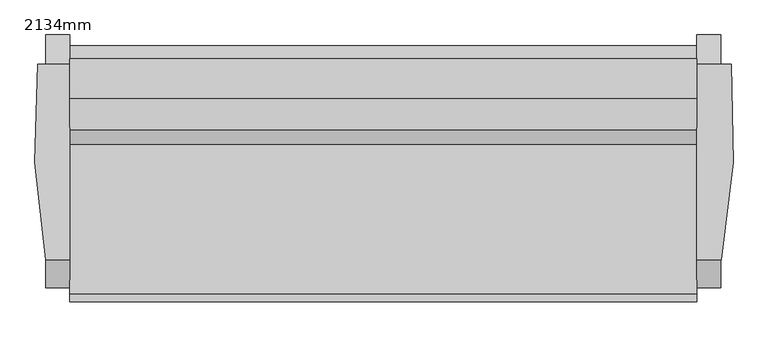
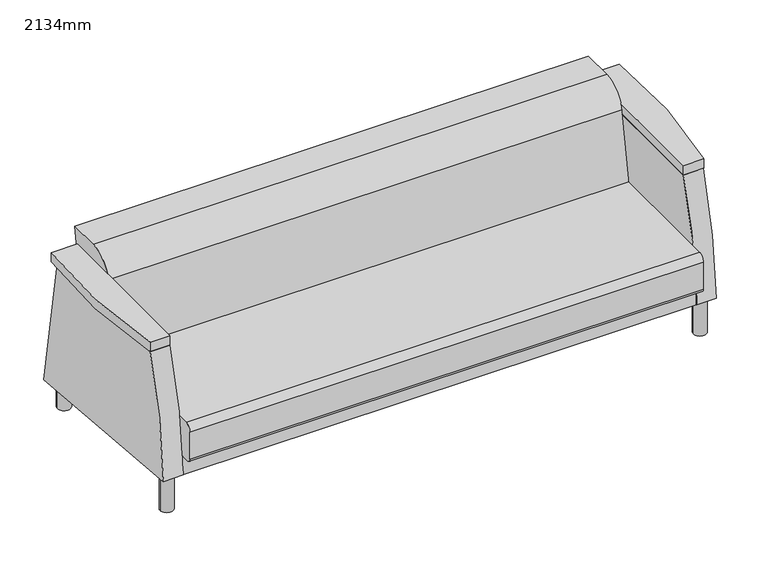
"""IFC4 building model written with IfcOpenShell, lengths in millimetres: furniture geometry, 2134mm."""

from ifc_helpers import new_model, si_unit, point, frame, frame_2d, origin, origin_with_axes, place, context, project, spatial, polyline, circle_curve, trimmed, segment, composite_curve, outline, extrude, source, transform, mapped, element, save
from ifc_brep_helpers import plane_surface, cylinder_surface, advanced_brep


def furniture_2134mm_91f3548c(model_context):
    return source(origin(), model_context, "Body", "SolidModel", [
        advanced_brep(
        [(1345.60625, 701.7619204, 79.3588346), (1345.60625, 608.6917937, 626.0203985), (1345.60625, -9.3943348, 626.0203985), (1345.60625, -97.7900405, 149.3105671), (1269.40625, -9.3943348, 626.0203985), (1269.40625, 608.6917937, 626.0203985), (1269.40625, 701.7619204, 79.3588346), (1269.40625, -83.3930704, 148.0509954), (1269.40625, 668.3047863, 148.0509954), (1269.40625, 668.3047863, 224.2509954), (1269.40625, -93.6952137, 224.2509954), (1269.40625, -93.6952137, 148.9523161), (1269.40625, -97.7900405, 149.3105671), (1269.40625, -93.6952137, 148.0509954), (-712.19375, -83.3930704, 148.0509954), (-712.19375, -93.6952137, 148.0509954), (-712.19375, -93.6952137, 148.9523161), (-712.19375, 668.3047863, 224.2509954), (-712.19375, -93.6952137, 224.2509954), (-712.19375, 668.3047863, 148.0509954), (-712.19375, 701.7619204, 79.3588346), (-712.19375, 608.6917937, 626.0203985), (-712.19375, -9.3943348, 626.0203985), (-712.19375, -97.7900405, 149.3105671), (-788.39375, -9.3943348, 626.0203985), (-788.39375, 608.6917937, 626.0203985), (-788.39375, 701.7619204, 79.3588346), (-788.39375, -97.7900405, 149.3105671)],
        [
            (0, 1),
            (1, 2),
            (2, 3, circle_curve(frame((1345.60625, 1499.9783711, 99.5888442), z_axis=(1.0, 0.0, 0.0), x_axis=(0.0, 1.0, 0.0)), 1598.5418814)),
            (3, 0),
            (4, 5),
            (5, 6),
            (6, 7),
            (7, 8),
            (8, 9),
            (9, 10),
            (10, 4, circle_curve(frame((1269.40625, 1499.9783711, 99.5888442), z_axis=(-1.0, 0.0, 0.0), x_axis=(0.0, 1.0, 0.0)), 1598.5418814)),
            (11, 12),
            (12, 10, circle_curve(frame((1269.40625, 1499.9783711, 99.5888442), z_axis=(-1.0, 0.0, 0.0), x_axis=(0.0, 1.0, 0.0)), 1598.5418814)),
            (10, 11),
            (0, 6),
            (5, 1),
            (4, 2),
            (12, 3),
            (11, 7),
            (11, 13),
            (13, 7),
            (14, 15),
            (15, 16),
            (16, 14),
            (9, 17),
            (17, 18),
            (18, 10),
            (18, 16),
            (15, 13),
            (14, 19),
            (19, 8),
            (19, 17),
            (20, 21),
            (21, 22),
            (22, 18, circle_curve(frame((-712.19375, 1499.9783711, 99.5888442), z_axis=(1.0, 0.0, 0.0), x_axis=(0.0, 1.0, 0.0)), 1598.5418814)),
            (14, 20),
            (18, 23, circle_curve(frame((-712.19375, 1499.9783711, 99.5888442), z_axis=(1.0, 0.0, 0.0), x_axis=(0.0, 1.0, 0.0)), 1598.5418814)),
            (23, 16),
            (24, 25),
            (25, 26),
            (26, 27),
            (27, 24, circle_curve(frame((-788.39375, 1499.9783711, 99.5888442), z_axis=(-1.0, 0.0, 0.0), x_axis=(0.0, 1.0, 0.0)), 1598.5418814)),
            (27, 23),
            (22, 24),
            (26, 20),
            (25, 21),
        ],
        [
            plane_surface(frame((1345.60625, 608.6917937, 626.0203985), z_axis=(1.0000000000000002, 0.0, 0.0), x_axis=(0.0, -0.16783676484789783, 0.985814800236531))),
            plane_surface(frame((1269.40625, 608.6917937, 626.0203985), z_axis=(-1.0000000000000002, 0.0, 0.0), x_axis=(0.0, 0.16783676484789783, -0.985814800236531))),
            plane_surface(frame((1345.60625, 701.7619204, 79.3588346), z_axis=(0.0, 0.985814800236531, 0.16783676484789783), x_axis=(-1.0, 0.0, 0.0))),
            plane_surface(frame((1345.60625, 608.6917937, 626.0203985), z_axis=(0.0, 0.0, 1.0), x_axis=(-1.0, 0.0, 0.0))),
            cylinder_surface(frame((1269.40625, 1499.9783711, 99.5888442), z_axis=(1.0, 0.0, 0.0), x_axis=(0.0, 1.0, 0.0)), 1598.5418814),
            plane_surface(frame((1345.60625, -97.7900405, 149.3105671), z_axis=(0.0, -0.08715574274767213, -0.9961946980917444), x_axis=(-1.0, 0.0, 0.0))),
            plane_surface(frame((1269.40625, -93.6952137, 224.2509954), z_axis=(1.0, 0.0, 0.0), x_axis=(0.0, -1.0, 0.0))),
            plane_surface(frame((-712.19375, -93.6952137, 224.2509954), z_axis=(-1.0, 0.0, 0.0), x_axis=(0.0, 1.0, 0.0))),
            plane_surface(frame((1269.40625, 668.3047863, 224.2509954), z_axis=(0.0, 0.0, 1.0), x_axis=(-1.0, 0.0, 0.0))),
            plane_surface(frame((1269.40625, -93.6952137, 224.2509954), z_axis=(0.0, -1.0, 0.0), x_axis=(-1.0, 0.0, 0.0))),
            plane_surface(frame((1269.40625, -93.6952137, 148.0509954), z_axis=(0.0, 0.0, -1.0), x_axis=(-1.0, 0.0, 0.0))),
            plane_surface(frame((1269.40625, 668.3047863, 148.0509954), z_axis=(0.0, 1.0, 0.0), x_axis=(-1.0, 0.0, 0.0))),
            plane_surface(frame((-712.19375, 3098.5202525, 99.5888442), z_axis=(1.0, 0.0, 0.0), x_axis=(0.0, 0.0, 1.0))),
            plane_surface(frame((-788.39375, 3098.5202525, 99.5888442), z_axis=(-1.0, 0.0, 0.0), x_axis=(0.0, 0.0, -1.0))),
            cylinder_surface(frame((-788.39375, 1499.9783711, 99.5888442), z_axis=(1.0, 0.0, 0.0), x_axis=(0.0, 1.0, 0.0)), 1598.5418814),
            plane_surface(frame((-712.19375, -97.7900405, 149.3105671), z_axis=(0.0, -0.08715574274766119, -0.9961946980917453), x_axis=(-1.0, 0.0, 0.0))),
            plane_surface(frame((-712.19375, 701.7619204, 79.3588346), z_axis=(0.0, 0.9858148002365317, 0.16783676484789375), x_axis=(-1.0, 0.0, 0.0))),
            plane_surface(frame((-712.19375, 608.6917937, 626.0203985), z_axis=(0.0, 0.0, 1.0), x_axis=(-1.0, 0.0, 0.0))),
        ],
        [
            (0, [[1, 2, 3, 4]]),
            (1, [[5, 6, 7, 8, 9, 10, 11]]),
            (1, [[12, 13, 14]]),
            (2, [[-1, 15, -6, 16]]),
            (3, [[-2, -16, -5, 17]]),
            (4, [[-3, -17, -11, -13, 18]]),
            (5, [[-4, -18, -12, 19, -7, -15]]),
            (6, [[20, 21, -19]]),
            (7, [[22, 23, 24]]),
            (8, [[25, 26, 27, -10]]),
            (9, [[-27, 28, -23, 29, -20, -14]]),
            (10, [[-29, -22, 30, 31, -8, -21]]),
            (11, [[-25, -9, -31, 32]]),
            (12, [[33, 34, 35, -26, -32, -30, 36]]),
            (12, [[37, 38, -28]]),
            (13, [[39, 40, 41, 42]]),
            (14, [[-42, 43, -37, -35, 44]]),
            (15, [[-41, 45, -36, -24, -38, -43]]),
            (16, [[-33, -45, -40, 46]]),
            (17, [[-34, -46, -39, -44]]),
        ],
    ),
        extrude(outline(composite_curve([segment(trimmed(circle_curve(frame_2d((-750.29375, -53.0901639)), 25.4), [point((-775.69375, -53.0901639))], [point((-724.89375, -53.0901639))], False, "CARTESIAN"), True, "CONTINUOUS"), segment(trimmed(circle_curve(frame_2d((-750.29375, -53.0901639)), 25.4), [point((-724.89375, -53.0901639))], [point((-775.69375, -53.0901639))], False, "CARTESIAN"), True, "CONTINUOUS")], self_intersect=False)), origin_with_axes(), (0.0, 0.0, 1.0), 148.43125),
        extrude(outline(composite_curve([segment(trimmed(circle_curve(frame_2d((-750.29375, 632.7098361)), 25.4), [point((-775.69375, 632.7098361))], [point((-724.89375, 632.7098361))], False, "CARTESIAN"), True, "CONTINUOUS"), segment(trimmed(circle_curve(frame_2d((-750.29375, 632.7098361)), 25.4), [point((-724.89375, 632.7098361))], [point((-775.69375, 632.7098361))], False, "CARTESIAN"), True, "CONTINUOUS")], self_intersect=False)), origin_with_axes(), (0.0, 0.0, 1.0), 148.43125),
        extrude(outline(composite_curve([segment(trimmed(circle_curve(frame_2d((1307.50625, 632.7098361)), 25.4), [point((1282.10625, 632.7098361))], [point((1332.90625, 632.7098361))], False, "CARTESIAN"), True, "CONTINUOUS"), segment(trimmed(circle_curve(frame_2d((1307.50625, 632.7098361)), 25.4), [point((1332.90625, 632.7098361))], [point((1282.10625, 632.7098361))], False, "CARTESIAN"), True, "CONTINUOUS")], self_intersect=False)), origin_with_axes(), (0.0, 0.0, 1.0), 148.43125),
        extrude(outline(composite_curve([segment(trimmed(circle_curve(frame_2d((1307.50625, -53.0901639)), 25.4), [point((1282.10625, -53.0901639))], [point((1332.90625, -53.0901639))], False, "CARTESIAN"), True, "CONTINUOUS"), segment(trimmed(circle_curve(frame_2d((1307.50625, -53.0901639)), 25.4), [point((1332.90625, -53.0901639))], [point((1282.10625, -53.0901639))], False, "CARTESIAN"), True, "CONTINUOUS")], self_intersect=False)), origin_with_axes(), (0.0, 0.0, 1.0), 148.43125),
        extrude(outline(composite_curve([segment(trimmed(circle_curve(frame_2d((-116.5901639, 351.2509954)), 25.4), [point((-141.9901639, 351.2509954))], [point((-116.5901639, 376.6509954))], False, "CARTESIAN"), True, "CONTINUOUS"), segment(polyline([(-116.5901639, 376.6509954), (355.3895541, 376.6509954), (402.1988177, 642.1195211)]), True, "CONTINUOUS"), segment(trimmed(circle_curve(frame_2d((502.2552854, 624.4768662)), 101.6), [point((402.1988177, 642.1195211))], [point((502.2552854, 726.0768662))], False, "CARTESIAN"), True, "CONTINUOUS"), segment(polyline([(502.2552854, 726.0768662), (626.3344485, 726.0768662), (609.5377828, 620.1719187), (667.6541767, 224.2509954), (-126.1151639, 224.2509954)]), True, "CONTINUOUS"), segment(trimmed(circle_curve(frame_2d((-126.1151639, 240.1259954)), 15.875), [point((-126.1151639, 224.2509954))], [point((-141.9901639, 240.1259954))], False, "CARTESIAN"), True, "CONTINUOUS"), segment(polyline([(-141.9901639, 240.1259954), (-141.9901639, 351.2509954)]), True, "CONTINUOUS")], self_intersect=False)), frame((-712.19375, 0.0, 0.0), z_axis=(1.0, 0.0, 0.0), x_axis=(0.0, 1.0, 0.0)), (0.0, 0.0, 1.0), 1981.6),
        extrude(outline(composite_curve([segment(polyline([(-712.19375, -9.3943348), (-788.39375, -9.3943348)]), True, "CONTINUOUS"), segment(trimmed(circle_curve(frame_2d((1379.7527561, 389.2697363)), 2204.4936638), [point((-788.39375, -9.3943348))], [point((-813.79375, 608.6917935))], False, "CARTESIAN"), True, "CONTINUOUS"), segment(polyline([(-813.79375, 608.6917935), (-712.19375, 608.6917935), (-712.19375, -9.3943348)]), True, "CONTINUOUS")], self_intersect=False)), frame((0.0, 0.0, 626.0203985), z_axis=(0.0, 0.0, 1.0), x_axis=(1.0, 0.0, 0.0)), (0.0, 0.0, 1.0), 38.1),
        extrude(outline(composite_curve([segment(polyline([(1269.40625, -9.3943348), (1269.40625, 608.9395268), (1378.0864453, 608.9395268)]), True, "CONTINUOUS"), segment(trimmed(circle_curve(frame_2d((-821.5771494, 407.0270204)), 2208.9111775), [point((1378.0864453, 608.9395268))], [point((1347.7273117, -9.3943348))], False, "CARTESIAN"), True, "CONTINUOUS"), segment(polyline([(1347.7273117, -9.3943348), (1269.40625, -9.3943348)]), True, "CONTINUOUS")], self_intersect=False)), frame((0.0, 0.0, 626.0203985), z_axis=(0.0, 0.0, 1.0), x_axis=(1.0, 0.0, 0.0)), (0.0, 0.0, 1.0), 38.1),
    ])


if __name__ == "__main__":
    model = new_model("IFC4")
    model_context = context("Model", 3, world=origin())
    ifc_project = project(units=[si_unit("LENGTHUNIT", "METRE", prefix="MILLI")], contexts=[model_context])
    site = spatial("IfcSite", under=ifc_project)
    building = spatial("IfcBuilding", under=site)
    placement = place(None, origin())
    furniture_2134mm_shape = furniture_2134mm_91f3548c(model_context)
    element("IfcFurniture", 1, ObjectType="2134mm", at=placement, inside=building, context=model_context, shape_type="MappedRepresentation", body=[
        mapped(furniture_2134mm_shape, transform((0.0, 0.0, 0.0), x_axis=(1.0, 0.0, 0.0), y_axis=(0.0, 1.0, 0.0), z_axis=(0.0, 0.0, 1.0))),
    ])
    save(model, "model.ifc")
